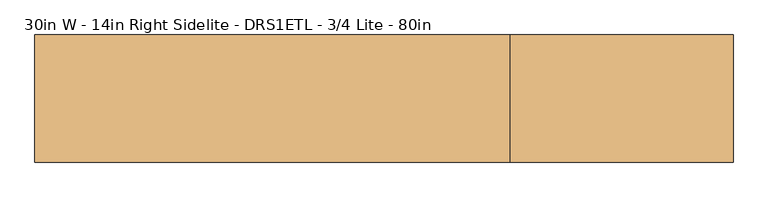
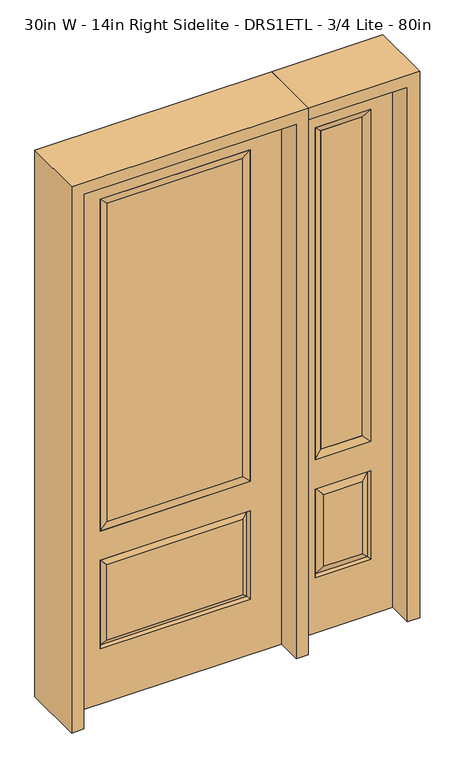
"""IFC4 building model written with IfcOpenShell, lengths in millimetres: door geometry, 30in W - 14in Right Sidelite - DRS1ETL - 3/4 Lite - 80in."""

from ifc_helpers import new_model, si_unit, frame, origin, place, context, project, spatial, polyline, outline, extrude, faceted_brep, source, transform, mapped, element, save


def door_30in_w_14in_right_sidelite_drs1etl_3_4_lite_80in_cca7b35c(model_context):
    return source(origin(), model_context, "Body", "SolidModel", [
        faceted_brep([(425.45, -22.225, 0.0), (781.05, -22.225, 0.0), (781.05, -22.225, 2032.0), (425.45, -22.225, 2032.0), (703.58, -22.225, 1919.224), (703.58, -22.225, 657.098), (502.92, -22.225, 657.098), (502.92, -22.225, 1919.224), (703.58, -22.225, 209.55), (502.92, -22.225, 209.55), (502.92, -22.225, 546.1), (703.58, -22.225, 546.1), (534.6351001, -22.225, 241.2651001), (671.8648999, -22.225, 241.2651001), (671.8648999, -22.225, 514.3848999), (534.6351001, -22.225, 514.3848999), (425.45, 22.225, 0.0), (425.45, 22.225, 2032.0), (781.05, 22.225, 2032.0), (781.05, 22.225, 0.0), (703.58, 22.225, 1919.224), (502.92, 22.225, 1919.224), (502.92, 22.225, 657.098), (703.58, 22.225, 657.098), (502.92, 22.225, 209.55), (703.58, 22.225, 209.55), (703.58, 22.225, 546.1), (502.92, 22.225, 546.1), (671.8648999, 22.225, 241.2651001), (534.6351001, 22.225, 241.2651001), (534.6351001, 22.225, 514.3848999), (671.8648999, 22.225, 514.3848999), (696.4711499, 12.7912373, 216.6588501), (510.0288501, 12.7912373, 216.6588501), (510.0288501, 12.7912373, 538.9911499), (696.4711499, 12.7912373, 538.9911499), (510.0288501, -12.7912373, 216.6588501), (696.4711499, -12.7912373, 216.6588501), (510.0288501, -12.7912373, 538.9911499), (696.4711499, -12.7912373, 538.9911499)], [[[0, 1, 2, 3], [4, 5, 6, 7], [8, 9, 10, 11]], [[12, 13, 14, 15]], [[16, 17, 18, 19], [20, 21, 22, 23], [24, 25, 26, 27]], [[28, 29, 30, 31]], [[1, 0, 16, 19]], [[2, 1, 19, 18]], [[3, 2, 18, 17]], [[0, 3, 17, 16]], [[5, 4, 20, 23]], [[6, 5, 23, 22]], [[7, 6, 22, 21]], [[4, 7, 21, 20]], [[32, 33, 29, 28]], [[33, 32, 25, 24]], [[29, 33, 34, 30]], [[33, 24, 27, 34]], [[30, 34, 35, 31]], [[34, 27, 26, 35]], [[32, 28, 31, 35]], [[25, 32, 35, 26]], [[12, 36, 37, 13]], [[37, 36, 9, 8]], [[36, 12, 15, 38]], [[9, 36, 38, 10]], [[38, 15, 14, 39]], [[10, 38, 39, 11]], [[13, 37, 39, 14]], [[37, 8, 11, 39]]]),
        faceted_brep([(502.92, 22.225, 1919.224), (502.92, -22.225, 1919.224), (703.58, -22.225, 1919.224), (703.58, 22.225, 1919.224), (528.32, 12.7, 1893.824), (678.18, 12.7, 1893.824), (528.32, -12.7, 1893.824), (678.18, -12.7, 1893.824), (703.58, -22.225, 657.098), (703.58, 22.225, 657.098), (678.18, 12.7, 682.498), (678.18, -12.7, 682.498), (502.92, -22.225, 657.098), (502.92, 22.225, 657.098), (528.32, 12.7, 682.498), (528.32, -12.7, 682.498)], [[[0, 1, 2, 3]], [[4, 0, 3, 5]], [[6, 4, 5, 7]], [[1, 6, 7, 2]], [[3, 2, 8, 9]], [[5, 3, 9, 10]], [[7, 5, 10, 11]], [[2, 7, 11, 8]], [[9, 8, 12, 13]], [[10, 9, 13, 14]], [[11, 10, 14, 15]], [[8, 11, 15, 12]], [[13, 12, 1, 0]], [[14, 13, 0, 4]], [[15, 14, 4, 6]], [[12, 15, 6, 1]]]),
        extrude(outline(polyline([(678.18, -12.7), (528.32, -12.7), (528.32, 12.7), (678.18, 12.7), (678.18, -12.7)])), frame((0.0, 0.0, 682.498), z_axis=(0.0, 0.0, 1.0), x_axis=(1.0, 0.0, 0.0)), (0.0, 0.0, 1.0), 1211.326),
        faceted_brep([(-262.7661499, -12.7912373, 216.6588501), (262.7661499, -12.7912373, 216.6588501), (245.26875, -22.225, 234.15625), (-245.26875, -22.225, 234.15625), (-269.875, -22.225, 209.55), (269.875, -22.225, 209.55), (-262.7661499, -12.7912373, 538.9911499), (-269.875, -22.225, 546.1), (245.26875, -22.225, 521.49375), (-245.26875, -22.225, 521.49375), (381.0, -22.225, 2032.0), (-381.0, -22.225, 2032.0), (-381.0, -22.225, 0.0), (381.0, -22.225, 0.0), (269.875, -22.225, 546.1), (269.875, -22.225, 1917.7), (269.875, -22.225, 657.098), (-269.875, -22.225, 657.098), (-269.875, -22.225, 1917.7), (262.7661499, -12.7912373, 538.9911499), (-381.0, 22.225, 2032.0), (-381.0, 22.225, 0.0), (381.0, 22.225, 0.0), (381.0, 22.225, 2032.0), (269.875, 22.225, 1917.7), (269.875, 22.225, 657.098), (-269.875, 22.225, 657.098), (-269.875, 22.225, 1917.7), (-269.875, 22.225, 209.55), (269.875, 22.225, 209.55), (269.875, 22.225, 546.1), (-269.875, 22.225, 546.1), (245.26875, 22.225, 234.15625), (-245.26875, 22.225, 234.15625), (-245.26875, 22.225, 521.49375), (245.26875, 22.225, 521.49375), (-262.7661499, 12.7912373, 216.6588501), (262.7661499, 12.7912373, 216.6588501), (262.7661499, 12.7912373, 538.9911499), (-262.7661499, 12.7912373, 538.9911499)], [[[0, 1, 2, 3]], [[1, 0, 4, 5]], [[4, 0, 6, 7]], [[3, 2, 8, 9]], [[10, 11, 12, 13], [5, 4, 7, 14], [15, 16, 17, 18]], [[1, 5, 14, 19]], [[2, 1, 19, 8]], [[0, 3, 9, 6]], [[7, 6, 19, 14]], [[6, 9, 8, 19]], [[12, 11, 20, 21]], [[13, 12, 21, 22]], [[10, 13, 22, 23]], [[16, 15, 24, 25]], [[17, 16, 25, 26]], [[18, 17, 26, 27]], [[23, 22, 21, 20], [28, 29, 30, 31], [24, 27, 26, 25]], [[32, 33, 34, 35]], [[28, 36, 37, 29]], [[29, 37, 38, 30]], [[39, 31, 30, 38]], [[36, 28, 31, 39]], [[37, 36, 33, 32]], [[33, 36, 39, 34]], [[34, 39, 38, 35]], [[37, 32, 35, 38]], [[11, 10, 23, 20]], [[15, 18, 27, 24]]]),
        faceted_brep([(-269.875, -22.225, 1917.7), (-269.875, 22.225, 1917.7), (-269.875, 22.225, 657.098), (-269.875, -22.225, 657.098), (269.875, 22.225, 657.098), (269.875, -22.225, 657.098), (-244.475, 5.08, 682.498), (244.475, 5.08, 682.498), (269.875, 22.225, 1917.7), (269.875, -22.225, 1917.7), (-244.475, -20.32, 682.498), (244.475, -20.32, 682.498), (-244.475, -20.32, 1892.3), (244.475, -20.32, 1892.3), (-244.475, 5.08, 1892.3), (244.475, 5.08, 1892.3)], [[[0, 1, 2, 3]], [[3, 2, 4, 5]], [[2, 6, 7, 4]], [[5, 4, 8, 9]], [[10, 3, 5, 11]], [[12, 0, 3, 10]], [[11, 5, 9, 13]], [[6, 10, 11, 7]], [[14, 12, 10, 6]], [[7, 11, 13, 15]], [[1, 14, 6, 2]], [[4, 7, 15, 8]], [[9, 8, 1, 0]], [[13, 9, 0, 12]], [[15, 13, 12, 14]], [[8, 15, 14, 1]]]),
        extrude(outline(polyline([(244.475, -20.32), (-244.475, -20.32), (-244.475, 5.08), (244.475, 5.08), (244.475, -20.32)])), frame((0.0, 0.0, 682.498), z_axis=(0.0, 0.0, 1.0), x_axis=(1.0, 0.0, 0.0)), (0.0, 0.0, 1.0), 1209.802),
        extrude(outline(polyline([(2076.45, -425.45), (0.0, -425.45), (0.0, -381.0), (2032.0, -381.0), (2032.0, 381.0), (0.0, 381.0), (0.0, 425.45), (2076.45, 425.45), (2076.45, -425.45)])), frame((0.0, -114.3, 0.0), z_axis=(0.0, 1.0, 0.0), x_axis=(0.0, 0.0, 1.0)), (0.0, 0.0, 1.0), 228.6),
        extrude(outline(polyline([(0.0, 781.05), (0.0, 825.5), (2076.45, 825.5), (2076.45, 425.45), (2032.0, 425.45), (2032.0, 781.05), (0.0, 781.05)])), frame((0.0, -114.3, 0.0), z_axis=(0.0, 1.0, 0.0), x_axis=(0.0, 0.0, 1.0)), (0.0, 0.0, 1.0), 228.6),
    ])


if __name__ == "__main__":
    model = new_model("IFC4")
    model_context = context("Model", 3, world=origin())
    ifc_project = project(units=[si_unit("LENGTHUNIT", "METRE", prefix="MILLI")], contexts=[model_context])
    site = spatial("IfcSite", under=ifc_project)
    building = spatial("IfcBuilding", under=site)
    placement = place(None, origin())
    door_30in_w_14in_right_sidelite_drs1etl_3_4_lite_80in_shape = door_30in_w_14in_right_sidelite_drs1etl_3_4_lite_80in_cca7b35c(model_context)
    element("IfcDoor", 1, ObjectType="30in W - 14in Right Sidelite - DRS1ETL - 3/4 Lite - 80in", at=placement, inside=building, context=model_context, shape_type="MappedRepresentation", body=[
        mapped(door_30in_w_14in_right_sidelite_drs1etl_3_4_lite_80in_shape, transform((0.0, 0.0, 0.0), x_axis=(1.0, 0.0, 0.0), y_axis=(0.0, 1.0, 0.0), z_axis=(0.0, 0.0, 1.0))),
    ])
    save(model, "model.ifc")
